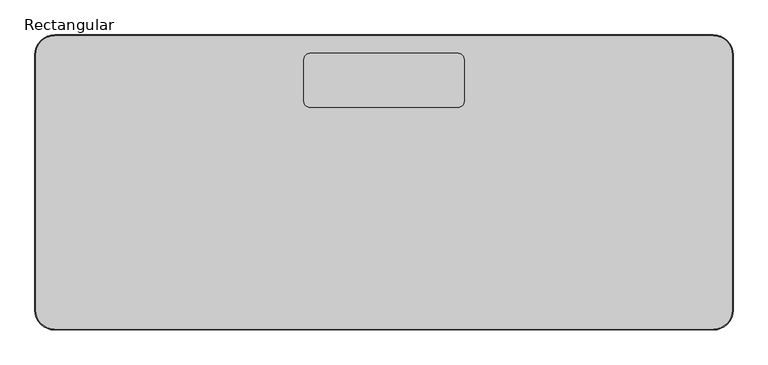
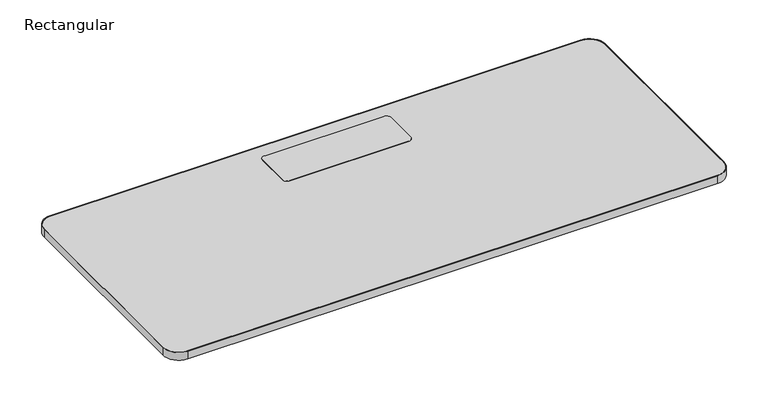
"""IFC4 building model written with IfcOpenShell, lengths in millimetres: furniture geometry, Rectangular."""

import ifcopenshell
import ifcopenshell.guid

model = None  # the IFC model being written
_history = None  # IfcOwnerHistory: only IFC2X3 demands one
_inside = {}  # id of a spatial element -> (the spatial element, [elements in it])
_under = {}  # id of a project, library or spatial element -> (it, [spatial elements below it])
_declared = {}  # id of a project -> (the project, [libraries it declares])
_typed = {}  # id of a type object -> (the type object, [elements of that type])
_made_of = {}  # id of a material, layer set ... -> (it, [elements and type objects made of it])


def new_model(schema):
    """Start an empty IFC model of exactly this schema.

    Asked for "IFC4X3", IfcOpenShell would pick the latest addendum, in which some entities
    have other attributes; the version numbers below select the first issue.
    IFC2X3 requires an IfcOwnerHistory on every rooted entity: one is made here for all.
    """
    global model, _history
    if schema == "IFC4X3":
        model = ifcopenshell.file(schema_version=(4, 3, 0, 0))
    else:
        model = ifcopenshell.file(schema=schema)
    _inside.clear()
    _under.clear()
    _declared.clear()
    _typed.clear()
    _made_of.clear()
    _history = None
    if model.schema == "IFC2X3":
        org = make("IfcOrganization", Name="unknown")
        user = make(
            "IfcPersonAndOrganization",
            ThePerson=make("IfcPerson", FamilyName="unknown"),
            TheOrganization=org,
        )
        app = make(
            "IfcApplication",
            ApplicationDeveloper=org,
            Version="unknown",
            ApplicationFullName="unknown",
            ApplicationIdentifier="unknown",
        )
        _history = make(
            "IfcOwnerHistory",
            OwningUser=user,
            OwningApplication=app,
            ChangeAction="ADDED",
            CreationDate=0,
        )
    return model


def make(cls, **values):
    """One entity of the class cls with the attributes given. An attribute that is None is left unset."""
    return model.create_entity(
        cls, **{name: value for name, value in values.items() if value is not None}
    )


def rooted(cls, **values):
    """An entity with a GlobalId (a new one), such as an element, a storey or a relation."""
    return make(cls, GlobalId=ifcopenshell.guid.new(), OwnerHistory=_history, **values)


def si_unit(unit_type, name, prefix=None):
    """IfcSIUnit, for example si_unit("LENGTHUNIT", "METRE", prefix="MILLI")."""
    return make("IfcSIUnit", UnitType=unit_type, Prefix=prefix, Name=name)


def assignment(units):
    """IfcUnitAssignment: the units of a project."""
    return None if units is None else make("IfcUnitAssignment", Units=units)


def point(xyz):
    """IfcCartesianPoint."""
    return None if xyz is None else make("IfcCartesianPoint", Coordinates=xyz)


def direction(xyz):
    """IfcDirection."""
    return None if xyz is None else make("IfcDirection", DirectionRatios=xyz)


def frame(location, z_axis=None, x_axis=None):
    """IfcAxis2Placement3D, a coordinate frame: its origin and axes. An axis left out is left unset."""
    return make(
        "IfcAxis2Placement3D",
        Location=point(location),
        Axis=direction(z_axis),
        RefDirection=direction(x_axis),
    )


def frame_2d(location, x_axis=None):
    """IfcAxis2Placement2D, a coordinate frame in the plane: its origin and x axis."""
    return make(
        "IfcAxis2Placement2D", Location=point(location), RefDirection=direction(x_axis)
    )


def origin():
    """The frame at (0, 0, 0) with its axes left unset."""
    return frame((0.0, 0.0, 0.0))


def place(relative_to, where):
    """IfcLocalPlacement: puts the frame where relative to a parent placement (None: the world)."""
    return make(
        "IfcLocalPlacement", PlacementRelTo=relative_to, RelativePlacement=where
    )


def context(
    kind, dimensions, precision=None, world=None, true_north=None, identifier=None
):
    """IfcGeometricRepresentationContext, for example the 3D "Model" context."""
    return make(
        "IfcGeometricRepresentationContext",
        ContextIdentifier=identifier,
        ContextType=kind,
        CoordinateSpaceDimension=dimensions,
        Precision=precision,
        WorldCoordinateSystem=world,
        TrueNorth=true_north,
    )


def project(units=None, contexts=None):
    """IfcProject with its units and contexts."""
    return rooted(
        "IfcProject",
        Name="project",
        RepresentationContexts=contexts,
        UnitsInContext=assignment(units),
    )


def spatial(cls, under=None, at=None, **own):
    """A site, building, storey or space (cls), placed at a placement, below another one or the project."""
    s = rooted(cls, ObjectPlacement=at, **own)
    if under is not None:
        _under.setdefault(under.id(), (under, []))[1].append(s)
    return s


def polyline(points):
    """IfcPolyline through the points."""
    return make("IfcPolyline", Points=[point(p) for p in points])


def circle_curve(where, radius):
    """IfcCircle in the frame where."""
    return make("IfcCircle", Position=where, Radius=radius)


def trimmed(basis, trim1, trim2, sense, master):
    """IfcTrimmedCurve: the piece of a basis curve between two trims."""
    return make(
        "IfcTrimmedCurve",
        BasisCurve=basis,
        Trim1=trim1,
        Trim2=trim2,
        SenseAgreement=sense,
        MasterRepresentation=master,
    )


def segment(curve, same_sense, transition):
    """IfcCompositeCurveSegment."""
    return make(
        "IfcCompositeCurveSegment",
        Transition=transition,
        SameSense=same_sense,
        ParentCurve=curve,
    )


def composite_curve(segments, self_intersect=None):
    """IfcCompositeCurve: segments joined end to end."""
    return make("IfcCompositeCurve", Segments=segments, SelfIntersect=self_intersect)


def outline(outer, holes=None, kind="AREA"):
    """IfcArbitraryClosedProfileDef: a profile drawn as a closed curve; with holes, ...WithVoids."""
    if holes is None:
        return make("IfcArbitraryClosedProfileDef", ProfileType=kind, OuterCurve=outer)
    return make(
        "IfcArbitraryProfileDefWithVoids",
        ProfileType=kind,
        OuterCurve=outer,
        InnerCurves=holes,
    )


def extrude(swept, where, along, depth):
    """IfcExtrudedAreaSolid: the profile swept, set in the frame where, extruded along a direction by depth."""
    return make(
        "IfcExtrudedAreaSolid",
        SweptArea=swept,
        Position=where,
        ExtrudedDirection=direction(along),
        Depth=depth,
    )


def shape(context_of_items, identifier, shape_type, items):
    """IfcShapeRepresentation: the items that make up one representation, for example the "Body"."""
    return make(
        "IfcShapeRepresentation",
        ContextOfItems=context_of_items,
        RepresentationIdentifier=identifier,
        RepresentationType=shape_type,
        Items=items,
    )


def source(mapping_origin, context_of_items, identifier, shape_type, items):
    """IfcRepresentationMap: a shape defined once, which mapped items show again and again."""
    return make(
        "IfcRepresentationMap",
        MappingOrigin=mapping_origin,
        MappedRepresentation=shape(context_of_items, identifier, shape_type, items),
    )


def transform(
    local_origin,
    x_axis=None,
    y_axis=None,
    z_axis=None,
    scale=None,
    scale2=None,
    scale3=None,
    uniform=True,
):
    """IfcCartesianTransformationOperator3D, or its non-uniform kind. x_axis, y_axis, z_axis: its Axis1, 2, 3."""
    if uniform:
        return make(
            "IfcCartesianTransformationOperator3D",
            Axis1=direction(x_axis),
            Axis2=direction(y_axis),
            LocalOrigin=point(local_origin),
            Scale=scale,
            Axis3=direction(z_axis),
        )
    return make(
        "IfcCartesianTransformationOperator3DnonUniform",
        Axis1=direction(x_axis),
        Axis2=direction(y_axis),
        LocalOrigin=point(local_origin),
        Scale=scale,
        Axis3=direction(z_axis),
        Scale2=scale2,
        Scale3=scale3,
    )


def mapped(mapping_source, mapping_target):
    """IfcMappedItem: shows the shape of a source again, moved by a transform."""
    return make(
        "IfcMappedItem", MappingSource=mapping_source, MappingTarget=mapping_target
    )


def made_of(thing, what):
    """Note that an element or type object is made of a material, layer set ...; save() writes the relation."""
    if what is not None:
        _made_of.setdefault(what.id(), (what, []))[1].append(thing)
    return thing


def element(
    cls,
    number,
    at=None,
    inside=None,
    cuts=None,
    type_object=None,
    material=None,
    context=None,
    identifier="Body",
    shape_type=None,
    held_by="IfcProductDefinitionShape",
    body=None,
    shapes=None,
    **own,
):
    """One element of the class cls, such as IfcWall. Its Tag is "e" and its number.

    at: its placement. inside: the storey or other place that contains it. cuts: it is an
    opening in that element (IfcRelVoidsElement). A single representation is given by context,
    identifier, shape_type and body (its items); several are given by shapes. held_by: the class
    of the entity that holds the representations. save() writes the other relations.
    """
    e = rooted(cls, Tag="e%d" % number, ObjectPlacement=at, **own)
    if body is not None:
        shapes = [shape(context, identifier, shape_type, body)]
    if shapes is not None:
        e.Representation = make(held_by, Representations=shapes)
    if inside is not None:
        _inside.setdefault(inside.id(), (inside, []))[1].append(e)
    if cuts is not None:
        rooted(
            "IfcRelVoidsElement", RelatingBuildingElement=cuts, RelatedOpeningElement=e
        )
    if type_object is not None:
        _typed.setdefault(type_object.id(), (type_object, []))[1].append(e)
    return made_of(e, material)


def aggregate(whole, parts):
    """IfcRelAggregates: a whole, such as a stair, and the parts it consists of."""
    return rooted("IfcRelAggregates", RelatingObject=whole, RelatedObjects=parts)


def save(model, path):
    """Write the relations noted so far, then the file.

    IfcRelAggregates (storeys below a building ...), IfcRelContainedInSpatialStructure (elements
    in a storey), IfcRelDefinesByType, IfcRelAssociatesMaterial and IfcRelDeclares: one each for
    every whole, place, type object, material and project.
    """
    for whole, parts in _under.values():
        aggregate(whole, parts)
    for where, things in _inside.values():
        rooted(
            "IfcRelContainedInSpatialStructure",
            RelatedElements=things,
            RelatingStructure=where,
        )
    for kind, things in _typed.values():
        rooted("IfcRelDefinesByType", RelatedObjects=things, RelatingType=kind)
    for what, things in _made_of.values():
        rooted("IfcRelAssociatesMaterial", RelatedObjects=things, RelatingMaterial=what)
    for by, libraries in _declared.values():
        rooted("IfcRelDeclares", RelatingContext=by, RelatedDefinitions=libraries)
    model.write(path)


def rectangular_739a93cf(model_context):
    return source(origin(), model_context, "Body", "SweptSolid", [
        extrude(outline(composite_curve([segment(polyline([(62.5, -50.0), (1737.5, -50.0)]), True, "CONTINUOUS"), segment(trimmed(circle_curve(frame_2d((1737.5, -100.0)), 50.0), [point((1737.5, -50.0))], [point((1787.5, -100.0))], False, "CARTESIAN"), True, "CONTINUOUS"), segment(polyline([(1787.5, -100.0), (1787.5, -750.0)]), True, "CONTINUOUS"), segment(trimmed(circle_curve(frame_2d((1737.5, -750.0)), 50.0), [point((1787.5, -750.0))], [point((1737.5, -800.0))], False, "CARTESIAN"), True, "CONTINUOUS"), segment(polyline([(1737.5, -800.0), (62.5, -800.0)]), True, "CONTINUOUS"), segment(trimmed(circle_curve(frame_2d((62.5, -750.0)), 50.0), [point((62.5, -800.0))], [point((12.5, -750.0))], False, "CARTESIAN"), True, "CONTINUOUS"), segment(polyline([(12.5, -750.0), (12.5, -100.0)]), True, "CONTINUOUS"), segment(trimmed(circle_curve(frame_2d((62.5, -100.0)), 50.0), [point((12.5, -100.0))], [point((62.5, -50.0))], False, "CARTESIAN"), True, "CONTINUOUS")], self_intersect=False), holes=[composite_curve([segment(trimmed(circle_curve(frame_2d((62.5, -100.0)), 48.0), [point((62.5, -52.0))], [point((14.5, -100.0))], True, "CARTESIAN"), True, "CONTINUOUS"), segment(polyline([(14.5, -100.0), (14.5, -750.0)]), True, "CONTINUOUS"), segment(trimmed(circle_curve(frame_2d((62.5, -750.0)), 48.0), [point((14.5, -750.0))], [point((62.5, -798.0))], True, "CARTESIAN"), True, "CONTINUOUS"), segment(polyline([(62.5, -798.0), (1737.5, -798.0)]), True, "CONTINUOUS"), segment(trimmed(circle_curve(frame_2d((1737.5, -750.0)), 48.0), [point((1737.5, -798.0))], [point((1785.5, -750.0))], True, "CARTESIAN"), True, "CONTINUOUS"), segment(polyline([(1785.5, -750.0), (1785.5, -100.0)]), True, "CONTINUOUS"), segment(trimmed(circle_curve(frame_2d((1737.5, -100.0)), 48.0), [point((1785.5, -100.0))], [point((1737.5, -52.0))], True, "CARTESIAN"), True, "CONTINUOUS"), segment(polyline([(1737.5, -52.0), (62.5, -52.0)]), True, "CONTINUOUS")], self_intersect=False)]), frame((0.0, 0.0, 695.0), z_axis=(0.0, 0.0, 1.0), x_axis=(1.0, 0.0, 0.0)), (0.0, 0.0, 1.0), 25.5),
        extrude(outline(composite_curve([segment(trimmed(circle_curve(frame_2d((1088.5, -112.0)), 15.0), [point((1088.5, -97.0))], [point((1103.5, -112.0))], False, "CARTESIAN"), True, "CONTINUOUS"), segment(polyline([(1103.5, -112.0), (1103.5, -219.0)]), True, "CONTINUOUS"), segment(trimmed(circle_curve(frame_2d((1088.5, -219.0)), 15.0), [point((1103.5, -219.0))], [point((1088.5, -234.0))], False, "CARTESIAN"), True, "CONTINUOUS"), segment(polyline([(1088.5, -234.0), (711.5, -234.0)]), True, "CONTINUOUS"), segment(trimmed(circle_curve(frame_2d((711.5, -219.0)), 15.0), [point((711.5, -234.0))], [point((696.5, -219.0))], False, "CARTESIAN"), True, "CONTINUOUS"), segment(polyline([(696.5, -219.0), (696.5, -112.0)]), True, "CONTINUOUS"), segment(trimmed(circle_curve(frame_2d((711.5, -112.0)), 15.0), [point((696.5, -112.0))], [point((711.5, -97.0))], False, "CARTESIAN"), True, "CONTINUOUS"), segment(polyline([(711.5, -97.0), (1088.5, -97.0)]), True, "CONTINUOUS")], self_intersect=False)), frame((0.0, 0.0, 720.0), z_axis=(0.0, 0.0, 1.0), x_axis=(1.0, 0.0, 0.0)), (0.0, 0.0, 1.0), 0.5),
        extrude(outline(composite_curve([segment(polyline([(62.5, -52.0), (1737.5, -52.0)]), True, "CONTINUOUS"), segment(trimmed(circle_curve(frame_2d((1737.5, -100.0)), 48.0), [point((1737.5, -52.0))], [point((1785.5, -100.0))], False, "CARTESIAN"), True, "CONTINUOUS"), segment(polyline([(1785.5, -100.0), (1785.5, -750.0)]), True, "CONTINUOUS"), segment(trimmed(circle_curve(frame_2d((1737.5, -750.0)), 48.0), [point((1785.5, -750.0))], [point((1737.5, -798.0))], False, "CARTESIAN"), True, "CONTINUOUS"), segment(polyline([(1737.5, -798.0), (62.5, -798.0)]), True, "CONTINUOUS"), segment(trimmed(circle_curve(frame_2d((62.5, -750.0)), 48.0), [point((62.5, -798.0))], [point((14.5, -750.0))], False, "CARTESIAN"), True, "CONTINUOUS"), segment(polyline([(14.5, -750.0), (14.5, -100.0)]), True, "CONTINUOUS"), segment(trimmed(circle_curve(frame_2d((62.5, -100.0)), 48.0), [point((14.5, -100.0))], [point((62.5, -52.0))], False, "CARTESIAN"), True, "CONTINUOUS")], self_intersect=False)), frame((0.0, 0.0, 695.0), z_axis=(0.0, 0.0, 1.0), x_axis=(1.0, 0.0, 0.0)), (0.0, 0.0, 1.0), 25.0),
    ])


if __name__ == "__main__":
    model = new_model("IFC4")
    model_context = context("Model", 3, world=origin())
    ifc_project = project(units=[si_unit("LENGTHUNIT", "METRE", prefix="MILLI")], contexts=[model_context])
    site = spatial("IfcSite", under=ifc_project)
    building = spatial("IfcBuilding", under=site)
    placement = place(None, origin())
    rectangular_shape = rectangular_739a93cf(model_context)
    element("IfcFurniture", 1, ObjectType="Rectangular", at=placement, inside=building, context=model_context, shape_type="MappedRepresentation", body=[
        mapped(rectangular_shape, transform((0.0, 0.0, 0.0), x_axis=(1.0, 0.0, 0.0), y_axis=(0.0, 1.0, 0.0), z_axis=(0.0, 0.0, 1.0))),
    ])
    save(model, "model.ifc")
